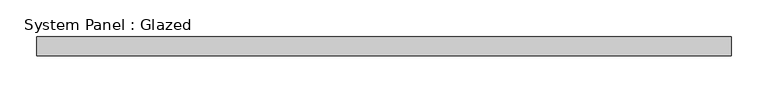
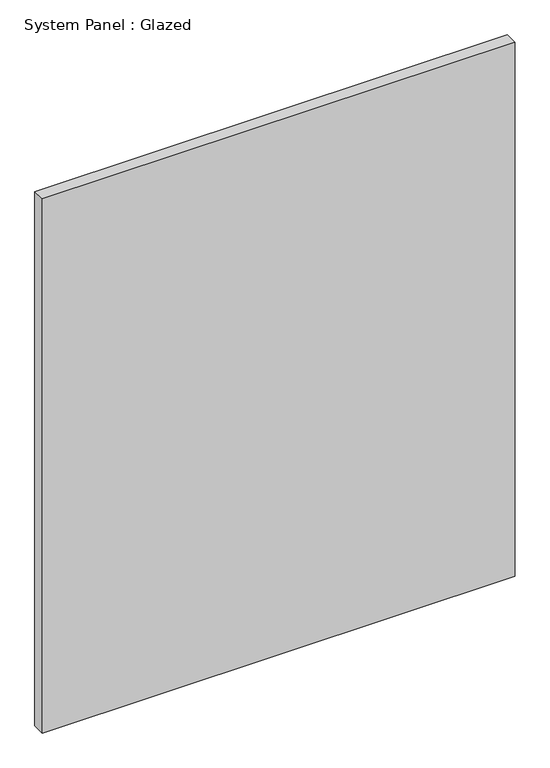
"""IFC4 building model written with IfcOpenShell, lengths in millimetres: plate geometry, System Panel : Glazed."""

from ifc_helpers import new_model, si_unit, origin, origin_with_axes, place, context, project, spatial, polyline, outline, extrude, source, transform, mapped, element, save


def system_panel_glazed_f66f8236(model_context):
    return source(origin(), model_context, "Body", "SweptSolid", [
        extrude(outline(polyline([(470.67292, -44.45), (-470.67292, -44.45), (-470.67292, -19.05), (470.67292, -19.05), (470.67292, -44.45)])), origin_with_axes(), (0.0, 0.0, 1.0), 1123.95),
    ])


if __name__ == "__main__":
    model = new_model("IFC4")
    model_context = context("Model", 3, world=origin())
    ifc_project = project(units=[si_unit("LENGTHUNIT", "METRE", prefix="MILLI")], contexts=[model_context])
    site = spatial("IfcSite", under=ifc_project)
    building = spatial("IfcBuilding", under=site)
    placement = place(None, origin())
    system_panel_glazed_shape = system_panel_glazed_f66f8236(model_context)
    element("IfcPlate", 1, ObjectType="System Panel : Glazed", at=placement, inside=building, context=model_context, shape_type="MappedRepresentation", body=[
        mapped(system_panel_glazed_shape, transform((0.0, 0.0, 0.0), x_axis=(1.0, 0.0, 0.0), y_axis=(0.0, 1.0, 0.0), z_axis=(0.0, 0.0, 1.0))),
    ])
    save(model, "model.ifc")
